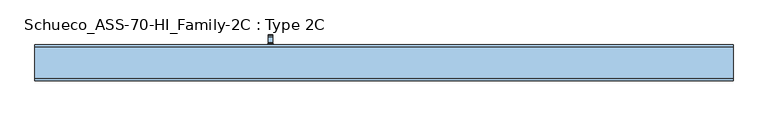
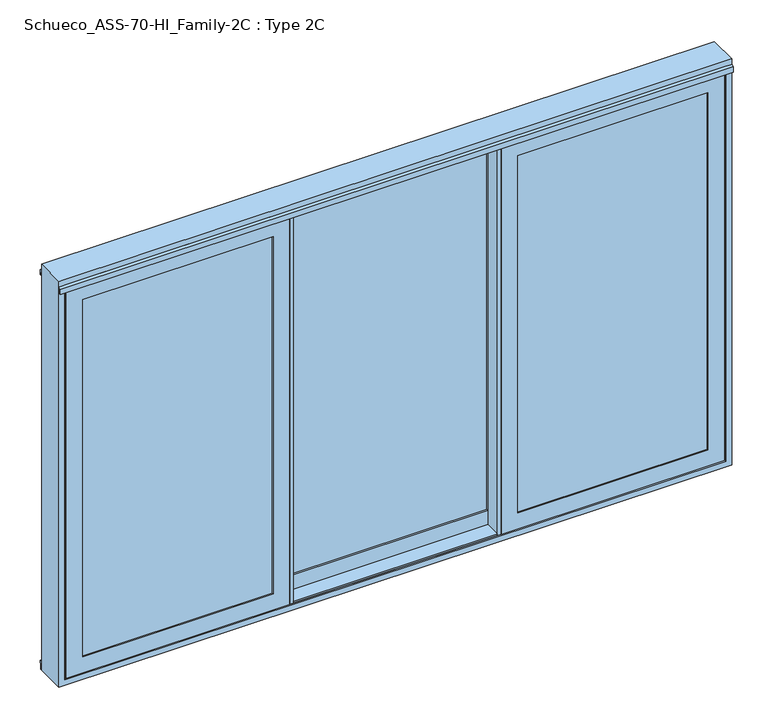
"""IFC4 building model written with IfcOpenShell, lengths in millimetres: window geometry, Schueco_ASS-70-HI_Family-2C : Type 2C."""

from ifc_helpers import new_model, si_unit, point, frame, frame_2d, origin, place, context, project, spatial, polyline, circle_curve, trimmed, segment, composite_curve, outline, extrude, faceted_brep, source, transform, mapped, element, save
from ifc_brep_helpers import plane_surface, cylinder_surface, revolved_surface, advanced_brep


def schueco_ass_70_hi_family_2c_type_2c_d38a49f1(model_context):
    return source(origin(), model_context, "Body", "SolidModel", [
        advanced_brep(
        [(-570.6165401, 29.9999695, 1229.000061), (-594.6165401, 29.9999695, 1229.000061), (-594.6165401, 31.9999695, 1227.000061), (-570.6165401, 31.9999695, 1227.000061), (-570.6165401, 31.9999695, 1242.000061), (-594.6165401, 31.9999695, 1242.000061), (-594.6165401, 29.9999695, 1240.000061), (-570.6165401, 29.9999695, 1240.000061), (-570.6165401, 23.9999695, 1004.005052), (-570.6165401, 59.9999695, 1004.005052), (-594.6165401, 59.9999695, 1004.005052), (-594.6165401, 23.9999695, 1004.005052), (-594.6165401, 71.9999695, 1004.0), (-594.6165401, 71.9999695, 1229.2360009), (-570.6165401, 71.9999695, 1229.2360009), (-570.6165401, 71.9999695, 1004.0), (-570.6165401, 71.414183, 1230.6502145), (-570.6165401, 60.6501229, 1241.4142746), (-570.6165401, 59.2359094, 1242.000061), (-570.6165401, 52.6493095, 1227.000061), (-570.6165401, 59.9999695, 1219.6494011), (-594.6165401, 59.9999695, 1219.6494011), (-594.6165401, 52.6493095, 1227.000061), (-594.6165401, 59.2359094, 1242.000061), (-594.6165401, 60.6501229, 1241.4142746), (-594.6165401, 71.414183, 1230.6502145)],
        [
            (0, 1),
            (1, 2, circle_curve(frame((-594.6165401, 31.9999695, 1229.000061), z_axis=(1.0, 0.0, 0.0), x_axis=(0.0, 0.0, -1.0)), 2.0)),
            (2, 3),
            (3, 0, circle_curve(frame((-570.6165401, 31.9999695, 1229.000061), z_axis=(-1.0, 0.0, 0.0), x_axis=(0.0, 0.0, -1.0)), 2.0)),
            (4, 5),
            (5, 6, circle_curve(frame((-594.6165401, 31.9999695, 1240.000061), z_axis=(1.0, 0.0, 0.0), x_axis=(0.0, 0.0, -1.0)), 2.0)),
            (6, 7),
            (7, 4, circle_curve(frame((-570.6165401, 31.9999695, 1240.000061), z_axis=(-1.0, 0.0, 0.0), x_axis=(0.0, 0.0, -1.0)), 2.0)),
            (8, 9),
            (9, 10, circle_curve(frame((-582.6165401, 59.9999695, 1004.005052), z_axis=(0.0, -1.0, 0.0), x_axis=(1.0, 0.0, 0.0)), 12.0)),
            (10, 11),
            (11, 8, circle_curve(frame((-582.6165401, 23.9999695, 1004.005052), z_axis=(0.0, 1.0, 0.0), x_axis=(1.0, 0.0, 0.0)), 12.0)),
            (12, 13),
            (13, 14),
            (14, 15),
            (15, 12, circle_curve(frame((-582.6165401, 71.9999695, 1004.005052), z_axis=(0.0, 1.0, 0.0), x_axis=(1.0, 0.0, 0.0)), 12.0)),
            (11, 8, circle_curve(frame((-582.6165401, 23.9999695, 1004.005052), z_axis=(0.0, -1.0, 0.0), x_axis=(1.0, 0.0, 0.0)), 12.0)),
            (15, 9),
            (10, 12),
            (14, 16, circle_curve(frame((-570.6165401, 69.9999695, 1229.2360009), z_axis=(1.0, 0.0, 0.0), x_axis=(0.0, 0.0, -1.0)), 2.0)),
            (16, 17),
            (17, 18, circle_curve(frame((-570.6165401, 59.2359094, 1240.000061), z_axis=(1.0, 0.0, 0.0), x_axis=(0.0, 0.0, -1.0)), 2.0)),
            (18, 4),
            (7, 0),
            (3, 19),
            (19, 20, circle_curve(frame((-570.6165401, 52.6493095, 1219.6494011), z_axis=(-1.0, 0.0, 0.0), x_axis=(0.0, 0.0, -1.0)), 7.35066)),
            (20, 9),
            (10, 21),
            (21, 22, circle_curve(frame((-594.6165401, 52.6493095, 1219.6494011), z_axis=(1.0, 0.0, 0.0), x_axis=(0.0, 0.0, -1.0)), 7.35066)),
            (22, 2),
            (1, 6),
            (5, 23),
            (23, 24, circle_curve(frame((-594.6165401, 59.2359094, 1240.000061), z_axis=(-1.0, 0.0, 0.0), x_axis=(0.0, 0.0, -1.0)), 2.0)),
            (24, 25),
            (25, 13, circle_curve(frame((-594.6165401, 69.9999695, 1229.2360009), z_axis=(-1.0, 0.0, 0.0), x_axis=(0.0, 0.0, -1.0)), 2.0)),
            (20, 21),
            (19, 22),
            (18, 23),
            (17, 24),
            (16, 25),
        ],
        [
            cylinder_surface(frame((-594.6165401, 31.9999695, 1229.000061), z_axis=(1.0, 0.0, 0.0), x_axis=(0.0, 0.0, -1.0)), 2.0),
            cylinder_surface(frame((-594.6165401, 31.9999695, 1240.000061), z_axis=(1.0, 0.0, 0.0), x_axis=(0.0, 0.0, -1.0)), 2.0),
            cylinder_surface(frame((-582.6165401, 23.9999695, 1004.005052), z_axis=(0.0, 1.0, 0.0), x_axis=(1.0, 0.0, 0.0)), 12.0),
            plane_surface(frame((-570.6165401, 71.9999695, 1004.005052), z_axis=(0.0, 1.0, 0.0), x_axis=(0.0, 0.0, 1.0))),
            plane_surface(frame((-570.6165401, 23.9999695, 1004.005052), z_axis=(0.0, -1.0, 0.0), x_axis=(0.0, 0.0, -1.0))),
            plane_surface(frame((-570.6165401, 71.9999695, 1009.7503433), z_axis=(1.0, 0.0, 0.0), x_axis=(0.0, 0.0, -1.0))),
            plane_surface(frame((-594.6165401, 71.9999695, 1009.7503433), z_axis=(-1.0, 0.0, 0.0), x_axis=(0.0, 0.0, 1.0))),
            plane_surface(frame((-570.6165401, 59.9999695, 1004.0), z_axis=(0.0, -1.0, 0.0), x_axis=(-1.0, 0.0, 0.0))),
            revolved_surface(polyline([(-594.6165401, 52.6493095, 1212.2987411), (-570.6165401, 52.6493095, 1212.2987411)]), (-594.6165401, 52.6493095, 1219.6494011), (-1.0, 0.0, 0.0)),
            plane_surface(frame((-570.6165401, 52.6493095, 1227.000061), z_axis=(0.0, 0.0, -1.0), x_axis=(-1.0, 0.0, 0.0))),
            plane_surface(frame((-570.6165401, 29.9999695, 1229.000061), z_axis=(0.0, -1.0, 0.0), x_axis=(-1.0, 0.0, 0.0))),
            plane_surface(frame((-570.6165401, 31.9999695, 1242.000061), z_axis=(0.0, 0.0, 1.0), x_axis=(-1.0, 0.0, 0.0))),
            cylinder_surface(frame((-594.6165401, 59.2359094, 1240.000061), z_axis=(1.0, 0.0, 0.0), x_axis=(0.0, 0.0, -1.0)), 2.0),
            plane_surface(frame((-570.6165401, 60.6501229, 1241.4142746), z_axis=(0.0, 0.7071067811865422, 0.7071067811865528), x_axis=(-1.0, 0.0, 0.0))),
            cylinder_surface(frame((-594.6165401, 69.9999695, 1229.2360009), z_axis=(1.0, 0.0, 0.0), x_axis=(0.0, 0.0, -1.0)), 2.0),
        ],
        [
            (0, [[1, 2, 3, 4]]),
            (1, [[5, 6, 7, 8]]),
            (2, [[9, 10, 11, 12]]),
            (3, [[13, 14, 15, 16]]),
            (4, [[17, -12]]),
            (2, [[18, -9, -17, -11, 19, -16]]),
            (5, [[20, 21, 22, 23, -8, 24, -4, 25, 26, 27, -18, -15]]),
            (6, [[-13, -19, 28, 29, 30, -2, 31, -6, 32, 33, 34, 35]]),
            (7, [[36, -28, -10, -27]]),
            (8, [[37, -29, -36, -26]]),
            (9, [[-3, -30, -37, -25]]),
            (10, [[-7, -31, -1, -24]]),
            (11, [[38, -32, -5, -23]]),
            (12, [[39, -33, -38, -22]]),
            (13, [[40, -34, -39, -21]]),
            (14, [[-14, -35, -40, -20]]),
        ],
    ),
        extrude(outline(composite_curve([segment(trimmed(circle_curve(frame_2d((922.2823932, -582.6165401)), 16.75), [point((922.2823932, -599.3665401))], [point((922.2823932, -565.8665401))], False, "CARTESIAN"), True, "CONTINUOUS"), segment(polyline([(922.2823932, -565.8665401), (1049.0099288, -565.8665401)]), True, "CONTINUOUS"), segment(trimmed(circle_curve(frame_2d((1049.0099288, -582.6165401)), 16.75), [point((1049.0099288, -565.8665401))], [point((1049.0099288, -599.3665401))], False, "CARTESIAN"), True, "CONTINUOUS"), segment(polyline([(1049.0099288, -599.3665401), (922.2823932, -599.3665401)]), True, "CONTINUOUS")], self_intersect=False)), frame((0.0, 10.0, 0.0), z_axis=(0.0, 1.0, 0.0), x_axis=(0.0, 0.0, 1.0)), (0.0, 0.0, 1.0), 13.9999695),
        extrude(outline(polyline([(-596.6666667, -59.9674946), (-542.6650736, -59.9674946), (-542.6650736, -74.1898845), (-596.6666667, -74.1898845), (-596.6666667, -59.9674946)])), frame((0.0, 0.0, -6.9999052), z_axis=(0.0, 0.0, 1.0), x_axis=(1.0, 0.0, 0.0)), (0.0, 0.0, 1.0), 2187.9998104),
        extrude(outline(polyline([(-650.6682598, 10.0222971), (-630.6682903, 10.0222971), (-630.6682903, 4.5223302), (-646.8681947, 4.5223302), (-646.8681947, -54.4675277), (-630.6682903, -54.4675277), (-630.6665719, -59.9674946), (-650.6682598, -59.9674946), (-650.6682598, 10.0222971)])), frame((0.0, 0.0, -6.9999052), z_axis=(0.0, 0.0, 1.0), x_axis=(1.0, 0.0, 0.0)), (0.0, 0.0, 1.0), 2187.9998104),
        extrude(outline(polyline([(2114.8998417, 564.5665084), (2114.8998417, -564.5665084), (59.1001583, -564.5665084), (59.1001583, 564.5665084), (2114.8998417, 564.5665084)]), holes=[polyline([(2092.899857, -542.5665236), (2092.899857, 542.5665236), (81.100143, 542.5665236), (81.100143, -542.5665236), (2092.899857, -542.5665236)])]), frame((0.0, -24.9999865, 0.0), z_axis=(0.0, 1.0, 0.0), x_axis=(0.0, 0.0, 1.0)), (0.0, 0.0, 1.0), 35.0222836),
        extrude(outline(polyline([(556.5682349, -24.9999865), (556.5682349, -50.9898307), (-556.5682349, -50.9898307), (-556.5682349, -24.9999865), (556.5682349, -24.9999865)])), frame((0.0, 0.0, 67.0984318), z_axis=(0.0, 0.0, 1.0), x_axis=(1.0, 0.0, 0.0)), (0.0, 0.0, 1.0), 2039.8031365),
        extrude(outline(polyline([(650.6682598, 10.0222971), (650.6682598, -74.1898845), (596.6666667, -74.1898845), (596.6666667, -59.9674946), (646.8681947, -59.9674946), (646.8681947, 4.5223302), (630.6682903, 4.5223302), (630.6682903, 10.0222971), (650.6682598, 10.0222971)])), frame((0.0, 0.0, -6.9999052), z_axis=(0.0, 0.0, 1.0), x_axis=(1.0, 0.0, 0.0)), (0.0, 0.0, 1.0), 2187.9998104),
        faceted_brep([(-630.6682903, -54.4675277, 2181.0016236), (-630.6682903, -54.4675277, -7.0016236), (-630.6682903, -59.9674946, -7.0016236), (-630.6682903, -59.9674946, 2181.0016236), (630.6682903, -59.9674946, 2181.0016236), (630.6682903, -59.9674946, -7.0016236), (-542.6682903, -59.9674946, 2093.0016236), (542.6682903, -59.9674946, 2093.0016236), (542.6682903, -59.9674946, 80.9983764), (-542.6682903, -59.9674946, 80.9983764), (630.6682903, -54.4675277, -7.0016236), (630.6682903, -54.4675277, 2181.0016236), (600.6665719, -54.4675277, 2150.9999052), (-600.6665719, -54.4675277, 2150.9999052), (-600.6665719, -54.4675277, 23.0000948), (600.6665719, -54.4675277, 23.0000948), (-600.6665719, 4.5222971, 2150.9999052), (-600.6665719, 4.5222971, 23.0000948), (600.6665719, 4.5222971, 23.0000948), (630.6665719, 4.5222971, 2180.9999052), (-630.6665719, 4.5222971, 2180.9999052), (-630.6665719, 4.5222971, -6.9999052), (630.6665719, 4.5222971, -6.9999052), (600.6665719, 4.5222971, 2150.9999052), (-630.6665719, 10.0222971, 2180.9999052), (-630.6665719, 10.0222971, -6.9999052), (630.6665719, 10.0222971, -6.9999052), (630.6665719, 10.0222971, 2180.9999052), (564.5665084, 10.0222971, 2114.8998417), (-564.5665084, 10.0222971, 2114.8998417), (-564.5665084, 10.0222971, 59.1001583), (564.5665084, 10.0222971, 59.1001583), (-556.5682349, -50.9898307, 2106.9015682), (-556.5682349, -50.9898307, 67.0984318), (-556.5682349, -24.9898307, 67.0984318), (-556.5682349, -24.9898307, 2106.9015682), (-564.5665084, -24.9898307, 2114.8998417), (564.5665084, -24.9898307, 2114.8998417), (564.5665084, -24.9898307, 59.1001583), (-564.5665084, -24.9898307, 59.1001583), (556.5682349, -24.9898307, 2106.9015682), (556.5682349, -24.9898307, 67.0984318), (556.5682349, -50.9898307, 67.0984318), (556.5682349, -50.9898307, 2106.9015682), (542.6682903, -50.9898307, 2093.0016236), (-542.6682903, -50.9898307, 2093.0016236), (-542.6682903, -50.9898307, 80.9983764), (542.6682903, -50.9898307, 80.9983764)], [[[0, 1, 2, 3]], [[4, 3, 2, 5], [6, 7, 8, 9]], [[1, 10, 5, 2]], [[0, 11, 10, 1], [12, 13, 14, 15]], [[16, 17, 14, 13]], [[17, 18, 15, 14]], [[19, 20, 21, 22], [16, 23, 18, 17]], [[24, 25, 21, 20]], [[25, 26, 22, 21]], [[24, 27, 26, 25], [28, 29, 30, 31]], [[32, 33, 34, 35]], [[36, 37, 38, 39], [40, 35, 34, 41]], [[33, 42, 41, 34]], [[32, 43, 42, 33], [44, 45, 46, 47]], [[6, 9, 46, 45]], [[9, 8, 47, 46]], [[10, 11, 4, 5]], [[18, 23, 12, 15]], [[26, 27, 19, 22]], [[42, 43, 40, 41]], [[8, 7, 44, 47]], [[38, 37, 28, 31]], [[39, 38, 31, 30]], [[36, 39, 30, 29]], [[11, 0, 3, 4]], [[23, 16, 13, 12]], [[27, 24, 20, 19]], [[43, 32, 35, 40]], [[7, 6, 45, 44]], [[37, 36, 29, 28]]]),
        extrude(outline(polyline([(1741.0160727, 10.0), (1750.9999052, 10.0), (1750.9999052, 1.2), (1743.0, 1.2), (1743.0, -65.8101155), (1759.0321213, -65.8101155), (1759.0321213, -74.2712776), (1741.0160727, -74.2712776), (1741.0160727, 10.0)])), frame((0.0, 0.0, -14.9999878), z_axis=(0.0, 0.0, 1.0), x_axis=(1.0, 0.0, 0.0)), (0.0, 0.0, 1.0), 2188.0000367),
        faceted_brep([(-650.6682598, 10.0, 2.9839273), (-650.6682598, -74.2712776, 2.9839273), (-650.6682598, -74.2712776, -15.0321213), (-650.6682598, -65.8101155, -15.0321213), (-650.6682598, -65.8101155, 1.0), (-650.6682598, 1.2, 1.0), (-650.6682598, 1.2, -6.9999052), (-650.6682598, 10.0, -6.9999052), (-1741.0160727, 10.0, 2173.0000489), (-1750.9999052, 10.0, 2173.0000489), (-1750.9999052, 1.2, 2173.0000489), (-1743.0, 1.2, 2173.0000489), (-1743.0, -65.8101155, 2173.0000489), (-1759.0321213, -65.8101155, 2173.0000489), (-1759.0321213, -74.2712776, 2173.0000489), (-1741.0160727, -74.2712776, 2173.0000489), (-1741.0160727, 10.0, 2.9839273), (-1741.0160727, -74.2712776, 2.9839273), (-1759.0321213, -74.2712776, -15.0321213), (-1759.0321213, -65.8101155, -15.0321213), (-1743.0, -65.8101155, 1.0), (-1743.0, 1.2, 1.0), (-1750.9999052, 1.2, -6.9999052), (-1750.9999052, 10.0, -6.9999052)], [[[0, 1, 2, 3, 4, 5, 6, 7]], [[8, 9, 10, 11, 12, 13, 14, 15]], [[16, 17, 1, 0]], [[15, 14, 18, 2, 1, 17]], [[18, 19, 3, 2]], [[13, 12, 20, 4, 3, 19]], [[20, 21, 5, 4]], [[11, 10, 22, 6, 5, 21]], [[22, 23, 7, 6]], [[9, 8, 16, 0, 7, 23]], [[8, 15, 17, 16]], [[10, 9, 23, 22]], [[12, 11, 21, 20]], [[14, 13, 19, 18]]]),
        extrude(outline(polyline([(59.1017819, -628.7684486), (2114.8982181, -628.7684486), (2114.8982181, -1684.8982181), (59.1017819, -1684.8982181), (59.1017819, -628.7684486)]), holes=[polyline([(81.0, -1663.0), (2093.0, -1663.0), (2093.0, -650.6666667), (81.0, -650.6666667), (81.0, -1663.0)])]), frame((0.0, -115.0223361, 0.0), z_axis=(0.0, 1.0, 0.0), x_axis=(0.0, 0.0, 1.0)), (0.0, 0.0, 1.0), 34.9898307),
        extrude(outline(polyline([(2114.8982181, 628.7684486), (59.1017819, 628.7684486), (59.1017819, 1684.8982181), (2114.8982181, 1684.8982181), (2114.8982181, 628.7684486)]), holes=[polyline([(2093.0, 1663.0), (81.0, 1663.0), (81.0, 650.6666667), (2093.0, 650.6666667), (2093.0, 1663.0)])]), frame((0.0, -115.0223361, 0.0), z_axis=(0.0, 1.0, 0.0), x_axis=(0.0, 0.0, 1.0)), (0.0, 0.0, 1.0), 34.9898307),
        extrude(outline(polyline([(636.766722, -115.0223361), (1676.8999446, -115.0223361), (1676.8999446, -141.0223361), (636.766722, -141.0223361), (636.766722, -115.0223361)])), frame((0.0, 0.0, 67.1000554), z_axis=(0.0, 0.0, 1.0), x_axis=(1.0, 0.0, 0.0)), (0.0, 0.0, 1.0), 2039.7998892),
        extrude(outline(polyline([(-1676.8999446, -115.0223361), (-636.766722, -115.0223361), (-636.766722, -141.0223361), (-1676.8999446, -141.0223361), (-1676.8999446, -115.0223361)])), frame((0.0, 0.0, 67.1000554), z_axis=(0.0, 0.0, 1.0), x_axis=(1.0, 0.0, 0.0)), (0.0, 0.0, 1.0), 2039.7998892),
        extrude(outline(polyline([(-596.6666667, -65.8101155), (-596.6666667, -80.0325054), (-650.6682598, -80.0325054), (-650.6682598, -65.8101155), (-596.6666667, -65.8101155)])), frame((0.0, 0.0, -7.0), z_axis=(0.0, 0.0, 1.0), x_axis=(1.0, 0.0, 0.0)), (0.0, 0.0, 1.0), 2188.0),
        extrude(outline(polyline([(-542.6683851, -150.0), (-562.6666667, -150.0), (-562.6666667, -144.4898248), (-546.4667622, -144.4898248), (-546.4667622, -85.4999668), (-562.6666667, -85.4999668), (-562.6666667, -80.0), (-542.6683851, -80.0), (-542.6683851, -150.0)])), frame((0.0, 0.0, -7.0), z_axis=(0.0, 0.0, 1.0), x_axis=(1.0, 0.0, 0.0)), (0.0, 0.0, 1.0), 2188.0),
        extrude(outline(polyline([(596.6665719, -65.8101155), (596.6665719, -80.0325054), (546.4650438, -80.0325054), (546.4650438, -144.5223302), (562.6666667, -144.5223302), (562.6666667, -150.0), (542.6649788, -150.0), (542.6649788, -65.8101155), (596.6665719, -65.8101155)])), frame((0.0, 0.0, -7.0), z_axis=(0.0, 0.0, 1.0), x_axis=(1.0, 0.0, 0.0)), (0.0, 0.0, 1.0), 2188.0),
        faceted_brep([(1750.9982816, -80.0325054, 2180.9982816), (1750.9982816, -85.5102083, 2180.9982816), (1750.9982816, -85.5102083, -6.9982816), (1750.9982816, -80.0325054, -6.9982816), (562.6683851, -85.5102083, -6.9982816), (562.6683851, -80.0325054, -6.9982816), (562.6683851, -85.5102083, 2180.9982816), (592.6683851, -85.5102083, 23.0017184), (592.6683851, -85.5102083, 2150.9982816), (1720.9982816, -85.5102083, 2150.9982816), (1720.9982816, -85.5102083, 23.0017184), (562.6683851, -80.0325054, 2180.9982816), (1684.8982181, -80.0325054, 59.1017819), (1684.8982181, -80.0325054, 2114.8982181), (628.7684486, -80.0325054, 2114.8982181), (628.7684486, -80.0325054, 59.1017819), (1720.9982816, -144.5000331, 2150.9982816), (1720.9982816, -144.5000331, 23.0017184), (592.6683851, -144.5000331, 23.0017184), (562.6666667, -144.5000331, -7.0), (562.6666667, -144.5000331, 2181.0), (1751.0, -144.5000331, 2181.0), (1751.0, -144.5000331, -7.0), (592.6683851, -144.5000331, 2150.9982816), (1751.0, -150.0, 2181.0), (1751.0, -150.0, -7.0), (562.6666667, -150.0, -7.0), (562.6666667, -150.0, 2181.0), (650.6666667, -150.0, 81.0), (650.6666667, -150.0, 2093.0), (1663.0, -150.0, 2093.0), (1663.0, -150.0, 81.0), (1663.0, -141.0223361, 2093.0), (1663.0, -141.0223361, 81.0), (650.6666667, -141.0223361, 81.0), (636.766722, -141.0223361, 67.1000554), (636.766722, -141.0223361, 2106.8999446), (1676.8999446, -141.0223361, 2106.8999446), (1676.8999446, -141.0223361, 67.1000554), (650.6666667, -141.0223361, 2093.0), (1676.8999446, -115.0223361, 2106.8999446), (1676.8999446, -115.0223361, 67.1000554), (636.766722, -115.0223361, 67.1000554), (628.7684486, -115.0223361, 59.1017819), (628.7684486, -115.0223361, 2114.8982181), (1684.8982181, -115.0223361, 2114.8982181), (1684.8982181, -115.0223361, 59.1017819), (636.766722, -115.0223361, 2106.8999446)], [[[0, 1, 2, 3]], [[3, 2, 4, 5]], [[2, 1, 6, 4], [7, 8, 9, 10]], [[5, 4, 6, 11]], [[5, 11, 0, 3], [12, 13, 14, 15]], [[9, 16, 17, 10]], [[10, 17, 18, 7]], [[19, 20, 21, 22], [17, 16, 23, 18]], [[7, 18, 23, 8]], [[21, 24, 25, 22]], [[22, 25, 26, 19]], [[25, 24, 27, 26], [28, 29, 30, 31]], [[19, 26, 27, 20]], [[30, 32, 33, 31]], [[31, 33, 34, 28]], [[35, 36, 37, 38], [33, 32, 39, 34]], [[28, 34, 39, 29]], [[37, 40, 41, 38]], [[38, 41, 42, 35]], [[43, 44, 45, 46], [41, 40, 47, 42]], [[35, 42, 47, 36]], [[45, 13, 12, 46]], [[46, 12, 15, 43]], [[43, 15, 14, 44]], [[11, 6, 1, 0]], [[8, 23, 16, 9]], [[20, 27, 24, 21]], [[29, 39, 32, 30]], [[36, 47, 40, 37]], [[44, 14, 13, 45]]]),
        faceted_brep([(-1750.9982816, -85.5102083, 2180.9982816), (-1750.9982816, -80.0325054, 2180.9982816), (-1750.9982816, -80.0325054, -6.9982816), (-1750.9982816, -85.5102083, -6.9982816), (-562.6683851, -80.0325054, -6.9982816), (-562.6683851, -85.5102083, -6.9982816), (-562.6683851, -80.0325054, 2180.9982816), (-628.7684486, -80.0325054, 59.1017819), (-628.7684486, -80.0325054, 2114.8982181), (-1684.8982181, -80.0325054, 2114.8982181), (-1684.8982181, -80.0325054, 59.1017819), (-562.6683851, -85.5102083, 2180.9982816), (-1720.9982816, -85.5102083, 23.0017184), (-1720.9982816, -85.5102083, 2150.9982816), (-592.6683851, -85.5102083, 2150.9982816), (-592.6683851, -85.5102083, 23.0017184), (-1720.9982816, -144.5000331, 2150.9982816), (-1720.9982816, -144.5000331, 23.0017184), (-592.6683851, -144.5000331, 23.0017184), (-592.6683851, -144.5000331, 2150.9982816), (-1751.0, -144.5000331, -7.0), (-1751.0, -144.5000331, 2181.0), (-562.6666667, -144.5000331, 2181.0), (-562.6666667, -144.5000331, -7.0), (-1751.0, -150.0, 2181.0), (-1751.0, -150.0, -7.0), (-562.6666667, -150.0, -7.0), (-562.6666667, -150.0, 2181.0), (-1663.0, -150.0, 81.0), (-1663.0, -150.0, 2093.0), (-650.6666667, -150.0, 2093.0), (-650.6666667, -150.0, 81.0), (-1663.0, -141.0223361, 2093.0), (-1663.0, -141.0223361, 81.0), (-650.6666667, -141.0223361, 81.0), (-650.6666667, -141.0223361, 2093.0), (-1676.8999446, -141.0223361, 67.1000554), (-1676.8999446, -141.0223361, 2106.8999446), (-636.766722, -141.0223361, 2106.8999446), (-636.766722, -141.0223361, 67.1000554), (-1676.8999446, -115.0223361, 2106.8999446), (-1676.8999446, -115.0223361, 67.1000554), (-636.766722, -115.0223361, 67.1000554), (-636.766722, -115.0223361, 2106.8999446), (-1684.8982181, -115.0223361, 59.1017819), (-1684.8982181, -115.0223361, 2114.8982181), (-628.7684486, -115.0223361, 2114.8982181), (-628.7684486, -115.0223361, 59.1017819)], [[[0, 1, 2, 3]], [[3, 2, 4, 5]], [[2, 1, 6, 4], [7, 8, 9, 10]], [[5, 4, 6, 11]], [[5, 11, 0, 3], [12, 13, 14, 15]], [[16, 13, 12, 17]], [[17, 12, 15, 18]], [[18, 15, 14, 19]], [[20, 21, 22, 23], [18, 19, 16, 17]], [[24, 21, 20, 25]], [[25, 20, 23, 26]], [[26, 23, 22, 27]], [[26, 27, 24, 25], [28, 29, 30, 31]], [[32, 29, 28, 33]], [[33, 28, 31, 34]], [[34, 31, 30, 35]], [[36, 37, 38, 39], [34, 35, 32, 33]], [[40, 37, 36, 41]], [[41, 36, 39, 42]], [[42, 39, 38, 43]], [[44, 45, 46, 47], [42, 43, 40, 41]], [[9, 45, 44, 10]], [[10, 44, 47, 7]], [[7, 47, 46, 8]], [[11, 6, 1, 0]], [[19, 14, 13, 16]], [[27, 22, 21, 24]], [[35, 30, 29, 32]], [[43, 38, 37, 40]], [[8, 46, 45, 9]]]),
        faceted_brep([(-1790.0, -149.9799122, 2240.0), (-1790.0, 10.0, 2240.0), (-1790.0, 10.0, -46.0), (-1790.0, -150.0, -46.0), (1790.0, 10.0, 2240.0), (1790.0, 10.0, -46.0), (1758.9999878, 10.0, 2209.0000341), (-1758.9999878, 10.0, 2209.0000341), (-1758.9999878, 10.0, -14.9999878), (1758.9999878, 10.0, -14.9999878), (1790.0, -149.9799122, -46.0), (1790.0, -149.9799122, 2240.0), (-1759.0, -149.9799122, 2209.0000341), (1759.0, -149.9799122, 2209.0000341), (1759.0, -149.9799122, -15.0), (-1759.0, -149.9799122, -15.0), (-1743.0, -48.300567, 1.0), (1743.0, -48.300567, 1.0), (1743.0, -1.7117574, 1.0), (-1743.0, -1.7117574, 1.0), (-1759.0, -141.2, -15.0), (1759.0, -141.2, -15.0), (-1758.9999878, 1.2, -14.9999878), (1758.9999878, 1.2, -14.9999878), (-1743.0, -91.6994085, 1.0), (-1743.0, -138.300567, 1.0), (1743.0, -138.300567, 1.0), (1743.0, -91.6994085, 1.0), (-1750.9661267, -141.2, -6.9661267), (1750.9661267, -141.2, -6.9661267), (1750.9661267, -88.7999755, -6.9661267), (-1750.9661267, -88.7999755, -6.9661267), (-1759.0321213, -51.2, -15.0321213), (-1759.0321213, -88.7999755, -15.0321213), (1759.0321213, -88.7999755, -15.0321213), (1759.0321213, -51.2, -15.0321213), (-1750.9661267, -51.2, -6.9661267), (1750.9661267, -51.2, -6.9661267), (-1743.0, -44.0436655, 2205.1913198), (1743.0, -44.0436655, 2205.1913198), (1743.0, -48.300567, 2205.1913198), (1750.9661267, -51.2, 2205.1913198), (1759.0321213, -51.2, 2205.1913198), (1759.0321213, -88.7999755, 2205.1913198), (1750.9661267, -88.7999755, 2205.1913198), (1743.0, -91.6994085, 2205.1913198), (1743.0, -95.9362468, 2205.1913198), (-1743.0, -95.9362468, 2205.1913198), (-1743.0, -91.6994085, 2205.1913198), (-1750.9661267, -88.7999755, 2205.1913198), (-1759.0321213, -88.7999755, 2205.1913198), (-1759.0321213, -51.2, 2205.1913198), (-1750.9661267, -51.2, 2205.1913198), (-1743.0, -48.300567, 2205.1913198), (-1759.0, -141.2, 2209.0000341), (-1750.9661267, -141.2, 2209.0000341), (-1750.3614407, -140.9799122, 2209.0000341), (1750.3614407, -140.9799122, 2209.0000341), (1750.9661267, -141.2, 2209.0000341), (1759.0, -141.2, 2209.0000341), (1758.9999878, 1.2, 2209.0000341), (1750.9999878, 1.2, 2209.0000341), (1750.4504923, 1.0, 2209.0000341), (-1750.4504923, 1.0, 2209.0000341), (-1750.9999878, 1.2, 2209.0000341), (-1758.9999878, 1.2, 2209.0000341), (-1743.0, -134.9837976, 2193.0), (1743.0, -134.9837976, 2193.0), (1743.0, -138.300567, 2193.0), (1750.3614407, -140.9799122, 2193.0), (-1750.3614407, -140.9799122, 2193.0), (-1743.0, -138.300567, 2193.0), (-1743.0, -91.6994085, 2173.0000489), (-1743.0, -138.300567, 2173.0000489), (-1743.0, -138.300567, 2180.9293941), (-1743.0, -134.9837976, 2184.2461635), (-1743.0, -91.6994085, 2180.4194362), (-1743.0, -95.9362468, 2184.6562744), (1743.0, -138.300567, 2173.0000489), (1743.0, -91.6994085, 2173.0000489), (1743.0, -138.300567, 2180.9293941), (1743.0, -134.9837976, 2184.2461635), (1743.0, -91.6994085, 2180.4194362), (1743.0, -95.9362468, 2184.6562744), (-1747.6139633, -139.9799122, 2173.0000489), (-1747.6139633, -139.9799122, 2179.2500488), (1747.6139633, -139.9799122, 2179.2500488), (1747.6139633, -139.9799122, 2173.0000489), (1746.3502391, -90.4800212, 2173.0000489), (1746.3502391, -90.4800212, 2179.2000488), (-1746.3502391, -90.4800212, 2179.2000488), (-1746.3502391, -90.4800212, 2173.0000489), (-1743.0, -48.300567, 2173.0000489), (-1746.2951159, -49.4998911, 2173.0000489), (-1746.2951159, -49.4998911, 2179.2000488), (-1743.0, -48.300567, 2180.3993729), (1743.0, -48.300567, 2180.3993729), (1746.2951159, -49.4998911, 2179.2000488), (1746.2951159, -49.4998911, 2173.0000489), (1743.0, -48.300567, 2173.0000489), (-1750.9999878, 1.2, -6.9999878), (1750.9999878, 1.2, -6.9999878), (1743.0, -1.7117574, 2173.0000489), (1743.0, -44.0436655, 2184.6562744), (1743.0, -1.7117574, 2193.0), (1743.0, -1.7117574, 2180.9618063), (1743.0, -4.9961146, 2184.2461635), (1743.0, -4.9961146, 2193.0), (-1743.0, -1.7117574, 2173.0000489), (-1743.0, -44.0436655, 2184.6562744), (-1743.0, -1.7117574, 2180.9618063), (-1743.0, -1.7117574, 2193.0), (-1743.0, -4.9961146, 2193.0), (-1743.0, -4.9961146, 2184.2461635), (1747.7030149, 0.0, 2173.0000489), (1747.7030149, 0.0, 2179.2500488), (1750.4504923, 1.0, 2193.0), (-1750.4504923, 1.0, 2193.0), (-1747.7030149, 0.0, 2179.2500488), (-1747.7030149, 0.0, 2173.0000489)], [[[0, 1, 2, 3]], [[2, 1, 4, 5], [6, 7, 8, 9]], [[0, 3, 10, 11], [12, 13, 14, 15]], [[4, 11, 10, 5]], [[16, 17, 18, 19]], [[20, 15, 14, 21]], [[8, 22, 23, 9]], [[24, 25, 26, 27]], [[26, 25, 28, 29]], [[24, 27, 30, 31]], [[32, 33, 34, 35]], [[16, 36, 37, 17]], [[4, 1, 0, 11]], [[38, 39, 40, 41, 42, 43, 44, 45, 46, 47, 48, 49, 50, 51, 52, 53]], [[13, 12, 54, 55, 56, 57, 58, 59]], [[7, 6, 60, 61, 62, 63, 64, 65]], [[66, 67, 68, 69, 70, 71]], [[3, 2, 5, 10]], [[21, 14, 13, 59]], [[15, 20, 54, 12]], [[22, 8, 7, 65]], [[9, 23, 60, 6]], [[25, 24, 72, 73]], [[71, 74, 75, 66]], [[76, 48, 47, 77]], [[27, 26, 78, 79]], [[80, 68, 67, 81]], [[45, 82, 83, 46]], [[20, 21, 59, 58, 29, 28, 55, 54]], [[28, 25, 73, 84, 85, 74, 71, 70, 56, 55]], [[26, 29, 58, 57, 69, 68, 80, 86, 87, 78]], [[30, 27, 79, 88, 89, 82, 45, 44]], [[31, 30, 44, 43, 34, 33, 50, 49]], [[24, 31, 49, 48, 76, 90, 91, 72]], [[33, 32, 51, 50]], [[35, 34, 43, 42]], [[32, 35, 42, 41, 37, 36, 52, 51]], [[36, 16, 92, 93, 94, 95, 53, 52]], [[17, 37, 41, 40, 96, 97, 98, 99]], [[23, 22, 65, 64, 100, 101, 61, 60]], [[18, 17, 99, 102]], [[96, 40, 39, 103]], [[104, 105, 106, 107]], [[19, 18, 101, 100]], [[16, 19, 108, 92]], [[53, 95, 109, 38]], [[110, 111, 112, 113]], [[101, 18, 102, 114, 115, 105, 104, 116, 62, 61]], [[19, 100, 64, 63, 117, 111, 110, 118, 119, 108]], [[39, 38, 109, 103]], [[47, 46, 83, 77]], [[57, 56, 70, 69]], [[116, 117, 63, 62]], [[117, 116, 104, 107, 112, 111]], [[112, 107, 106, 113]], [[113, 106, 105, 115, 118, 110]], [[118, 115, 114, 119]], [[119, 114, 102, 99, 98, 93, 92, 108]], [[93, 98, 97, 94]], [[94, 97, 96, 103, 109, 95]], [[77, 83, 82, 89, 90, 76]], [[90, 89, 88, 91]], [[91, 88, 79, 78, 87, 84, 73, 72]], [[84, 87, 86, 85]], [[85, 86, 80, 81, 75, 74]], [[67, 66, 75, 81]]]),
        extrude(outline(polyline([(-150.0, 2.9839273), (-65.7287223, 2.9839273), (-65.7287223, -15.0321213), (-74.1898845, -15.0321213), (-74.1898845, 1.0), (-141.2, 1.0), (-141.2, -6.9999052), (-150.0, -6.9999052), (-150.0, 2.9839273)])), frame((-542.6666667, 0.0, 0.0), z_axis=(1.0, 0.0, 0.0), x_axis=(0.0, 1.0, 0.0)), (0.0, 0.0, 1.0), 1085.3317402),
        extrude(outline(polyline([(-158.5798866, 2193.0), (-158.5798866, 2173.0000489), (-162.5798866, 2173.0000489), (-162.5798866, 2201.7254355), (-149.9799122, 2209.0000341), (-140.9799122, 2209.0000341), (-140.9799122, 2193.0), (-158.5798866, 2193.0)])), frame((-1790.0, 0.0, 0.0), z_axis=(1.0, 0.0, 0.0), x_axis=(0.0, 1.0, 0.0)), (0.0, 0.0, 1.0), 3580.0),
        extrude(outline(polyline([(18.5999743, 2193.0), (1.0, 2193.0), (1.0, 2209.0000341), (10.0, 2209.0000341), (22.5999743, 2201.7254355), (22.5999743, 2173.0000489), (18.5999743, 2173.0000489), (18.5999743, 2193.0)])), frame((-1790.0, 0.0, 0.0), z_axis=(1.0, 0.0, 0.0), x_axis=(0.0, 1.0, 0.0)), (0.0, 0.0, 1.0), 3580.0),
        extrude(outline(polyline([(22.6000344, 0.960942), (22.6000344, -10.8383681), (18.099328, -15.3390746), (18.099328, -46.0), (10.0, -46.0), (10.0, 0.960942), (22.6000344, 0.960942)])), frame((-1790.0, 0.0, 0.0), z_axis=(1.0, 0.0, 0.0), x_axis=(0.0, 1.0, 0.0)), (0.0, 0.0, 1.0), 3580.0),
    ])


if __name__ == "__main__":
    model = new_model("IFC4")
    model_context = context("Model", 3, world=origin())
    ifc_project = project(units=[si_unit("LENGTHUNIT", "METRE", prefix="MILLI")], contexts=[model_context])
    site = spatial("IfcSite", under=ifc_project)
    building = spatial("IfcBuilding", under=site)
    placement = place(None, origin())
    schueco_ass_70_hi_family_2c_type_2c_shape = schueco_ass_70_hi_family_2c_type_2c_d38a49f1(model_context)
    element("IfcWindow", 1, ObjectType="Schueco_ASS-70-HI_Family-2C : Type 2C", at=placement, inside=building, context=model_context, shape_type="MappedRepresentation", body=[
        mapped(schueco_ass_70_hi_family_2c_type_2c_shape, transform((0.0, 0.0, 0.0), x_axis=(1.0, 0.0, 0.0), y_axis=(0.0, 1.0, 0.0), z_axis=(0.0, 0.0, 1.0))),
    ])
    save(model, "model.ifc")
